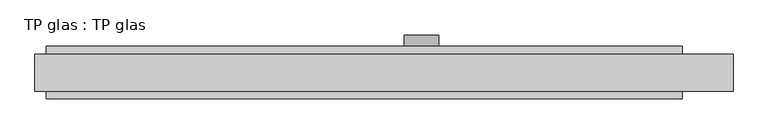
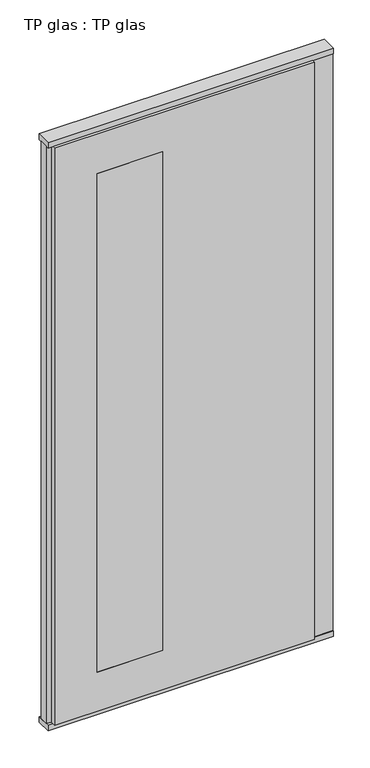
"""IFC4 building model written with IfcOpenShell, lengths in millimetres: plate geometry, TP glas : TP glas."""

from ifc_helpers import new_model, si_unit, point, frame, frame_2d, origin, origin_with_axes, place, context, project, spatial, polyline, circle_curve, trimmed, segment, composite_curve, outline, extrude, faceted_brep, source, transform, mapped, element, save


def tp_glas_tp_glas_f5626448(model_context):
    return source(origin(), model_context, "Body", "SolidModel", [
        faceted_brep([(-582.5, 22.9993165, 25.0), (-582.5, 22.9993165, 2602.0), (-582.5, 45.0, 2602.0), (-582.5, 45.0, 25.0), (-602.5, 17.6401049, 25.0), (-602.5, 17.6401049, 2602.0), (-602.5, -17.6401049, 25.0), (-602.5, -17.6401049, 2602.0), (-582.5, -22.9993165, 25.0), (-582.5, -22.9993165, 2602.0), (-582.5, -45.0, 25.0), (-582.5, -45.0, 2602.0), (514.5507813, -45.0, 25.0), (514.5507813, 45.0, 25.0), (514.5507813, 30.5, 25.0), (602.5, 30.5, 25.0), (602.5, -30.5, 25.0), (514.5507813, -30.5, 25.0), (514.5507813, -30.5, 2602.0), (514.5507813, -45.0, 2602.0), (602.5, -30.5, 2602.0), (602.5, 30.5, 2602.0), (514.5507813, 30.5, 2602.0), (514.5507813, 45.0, 2602.0), (-402.5, 45.0, 2427.0), (-402.5, 45.0, 200.0), (-125.4492187, 45.0, 200.0), (-125.4492187, 45.0, 2427.0), (-125.4492187, -45.0, 2427.0), (-125.4492187, -45.0, 200.0), (-402.5, -45.0, 200.0), (-402.5, -45.0, 2427.0)], [[[0, 1, 2, 3]], [[4, 5, 1, 0]], [[6, 7, 5, 4]], [[8, 9, 7, 6]], [[10, 11, 9, 8]], [[12, 10, 8, 6, 4, 0, 3, 13, 14, 15, 16, 17]], [[17, 18, 19, 12]], [[16, 20, 18, 17]], [[15, 21, 20, 16]], [[14, 22, 21, 15]], [[13, 23, 22, 14]], [[3, 2, 23, 13], [24, 25, 26, 27]], [[11, 10, 12, 19], [28, 29, 30, 31]], [[23, 2, 1, 5, 7, 9, 11, 19, 18, 20, 21, 22]], [[28, 31, 24, 27]], [[31, 30, 25, 24]], [[30, 29, 26, 25]], [[27, 26, 29, 28]]]),
        extrude(outline(polyline([(-602.5, 32.0), (602.5, 32.0), (602.5, -32.0), (-602.5, -32.0), (-602.5, 32.0)])), origin_with_axes(), (0.0, 0.0, 1.0), 25.0),
        extrude(outline(polyline([(-602.5, 32.0), (602.5, 32.0), (602.5, -32.0), (-602.5, -32.0), (-602.5, 32.0)])), frame((0.0, 0.0, 2602.0), z_axis=(0.0, 0.0, 1.0), x_axis=(1.0, 0.0, 0.0)), (0.0, 0.0, 1.0), 25.0),
        extrude(outline(composite_curve([segment(trimmed(circle_curve(frame_2d((1040.0, 64.5507813)), 30.0), [point((1040.0, 94.5507813))], [point((1040.0, 34.5507812))], False, "CARTESIAN"), True, "CONTINUOUS"), segment(trimmed(circle_curve(frame_2d((1040.0, 64.5507813)), 30.0), [point((1040.0, 34.5507812))], [point((1040.0, 94.5507813))], False, "CARTESIAN"), True, "CONTINUOUS")], self_intersect=False)), frame((0.0, 45.0, 0.0), z_axis=(0.0, 1.0, 0.0), x_axis=(0.0, 0.0, 1.0)), (0.0, 0.0, 1.0), 20.0),
        extrude(outline(polyline([(-125.4492187, 45.0), (-125.4492187, -45.0), (-402.5, -45.0), (-402.5, 45.0), (-125.4492187, 45.0)])), frame((0.0, 0.0, 200.0), z_axis=(0.0, 0.0, 1.0), x_axis=(1.0, 0.0, 0.0)), (0.0, 0.0, 1.0), 2227.0),
    ])


if __name__ == "__main__":
    model = new_model("IFC4")
    model_context = context("Model", 3, world=origin())
    ifc_project = project(units=[si_unit("LENGTHUNIT", "METRE", prefix="MILLI")], contexts=[model_context])
    site = spatial("IfcSite", under=ifc_project)
    building = spatial("IfcBuilding", under=site)
    placement = place(None, origin())
    tp_glas_tp_glas_shape = tp_glas_tp_glas_f5626448(model_context)
    element("IfcPlate", 1, ObjectType="TP glas : TP glas", at=placement, inside=building, context=model_context, shape_type="MappedRepresentation", body=[
        mapped(tp_glas_tp_glas_shape, transform((0.0, 0.0, 0.0), x_axis=(1.0, 0.0, 0.0), y_axis=(0.0, 1.0, 0.0), z_axis=(0.0, 0.0, 1.0))),
    ])
    save(model, "model.ifc")
